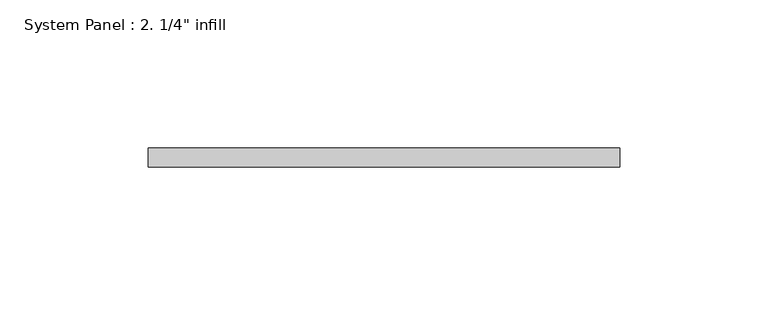
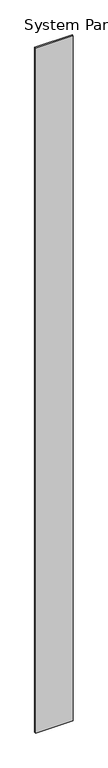
"""IFC4 building model written with IfcOpenShell, lengths in millimetres: plate geometry."""

from ifc_helpers import new_model, si_unit, origin, origin_with_axes, place, context, project, spatial, polyline, outline, extrude, source, transform, mapped, element, save


def plate_d74890af(model_context):
    return source(origin(), model_context, "Body", "SweptSolid", [
        extrude(outline(polyline([(79.375, -6.35), (-79.375, -6.35), (-79.375, 0.0), (79.375, 0.0), (79.375, -6.35)])), origin_with_axes(), (0.0, 0.0, 1.0), 3048.0),
    ])


if __name__ == "__main__":
    model = new_model("IFC4")
    model_context = context("Model", 3, world=origin())
    ifc_project = project(units=[si_unit("LENGTHUNIT", "METRE", prefix="MILLI")], contexts=[model_context])
    site = spatial("IfcSite", under=ifc_project)
    building = spatial("IfcBuilding", under=site)
    placement = place(None, origin())
    plate_shape = plate_d74890af(model_context)
    element("IfcPlate", 1, ObjectType="System Panel : 2. 1/4\" infill", at=placement, inside=building, context=model_context, shape_type="MappedRepresentation", body=[
        mapped(plate_shape, transform((0.0, 0.0, 0.0), x_axis=(1.0, 0.0, 0.0), y_axis=(0.0, 1.0, 0.0), z_axis=(0.0, 0.0, 1.0))),
    ])
    save(model, "model.ifc")
